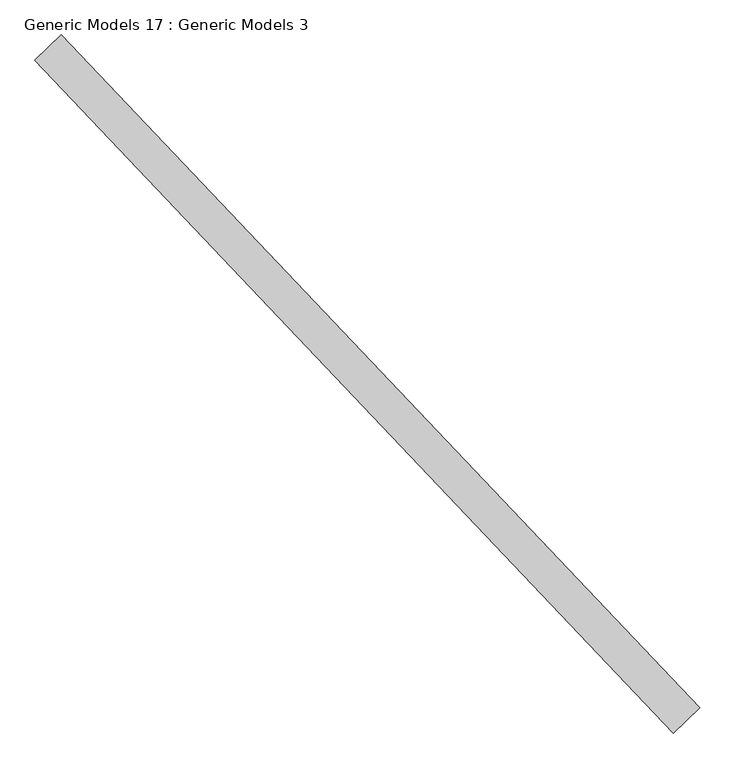
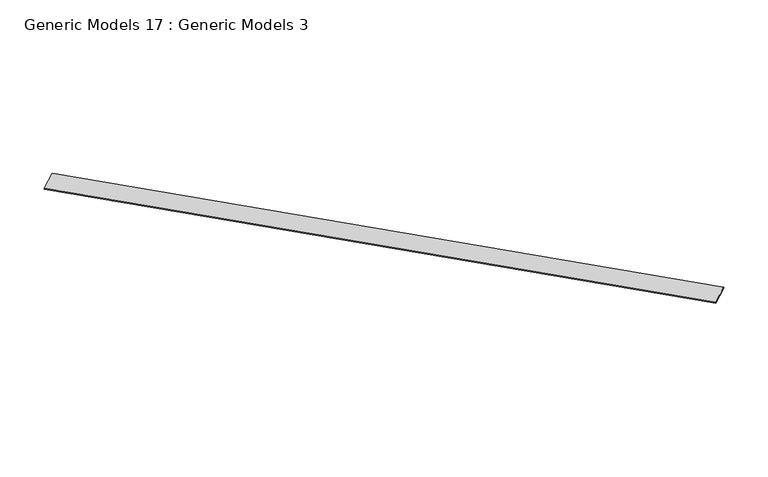
"""IFC4 building model written with IfcOpenShell, lengths in millimetres: proxy geometry, Generic Models 17 : Generic Models 3."""

from ifc_helpers import new_model, si_unit, frame, origin, place, context, project, spatial, polyline, outline, extrude, source, transform, mapped, element, save


def generic_models_17_generic_models_3_bb8695c7(model_context):
    return source(origin(), model_context, "Body", "SweptSolid", [
        extrude(outline(polyline([(107520.2074326, 60265.16386), (107773.0323756, 60505.0857725), (113853.1650895, 54097.9627595), (113600.3401465, 53858.040847), (107520.2074326, 60265.16386)])), frame((0.0, 0.0, 17170.4), z_axis=(0.0, 0.0, 1.0), x_axis=(1.0, 0.0, 0.0)), (0.0, 0.0, 1.0), 15.875),
    ])


if __name__ == "__main__":
    model = new_model("IFC4")
    model_context = context("Model", 3, world=origin())
    ifc_project = project(units=[si_unit("LENGTHUNIT", "METRE", prefix="MILLI")], contexts=[model_context])
    site = spatial("IfcSite", under=ifc_project)
    building = spatial("IfcBuilding", under=site)
    placement = place(None, origin())
    generic_models_17_generic_models_3_shape = generic_models_17_generic_models_3_bb8695c7(model_context)
    element("IfcBuildingElementProxy", 1, Name="Generic Models 17 : Generic Models 3", ObjectType="Generic Models 17 : Generic Models 3", at=placement, inside=building, context=model_context, shape_type="MappedRepresentation", body=[
        mapped(generic_models_17_generic_models_3_shape, transform((0.0, 0.0, 0.0), x_axis=(1.0, 0.0, 0.0), y_axis=(0.0, 1.0, 0.0), z_axis=(0.0, 0.0, 1.0))),
    ])
    save(model, "model.ifc")
